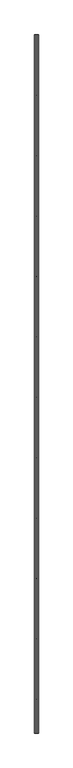
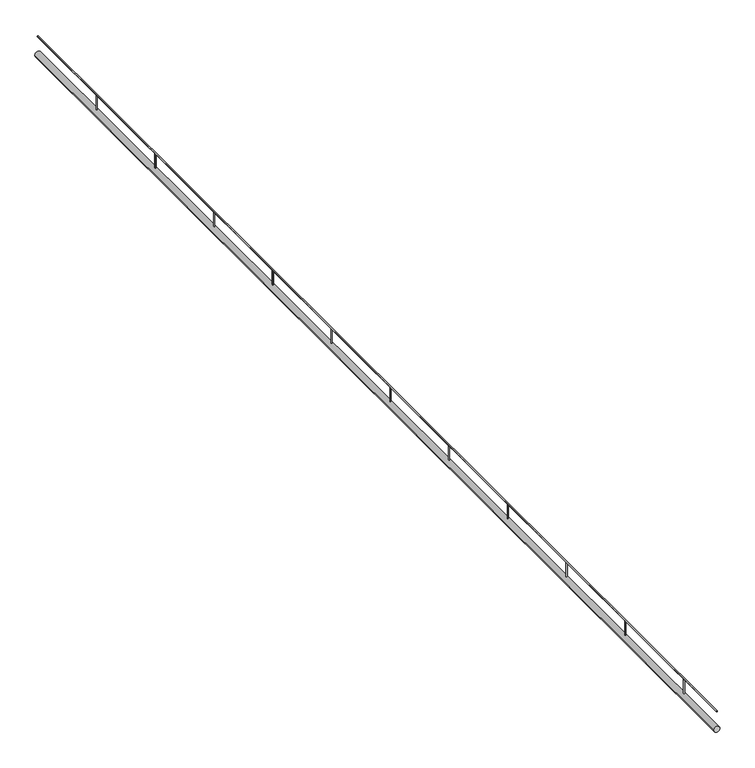
"""IFC4 building model written with IfcOpenShell, lengths in millimetres: railing geometry."""

from ifc_helpers import new_model, si_unit, point, frame, frame_2d, origin, place, context, project, spatial, circle_curve, trimmed, segment, composite_curve, outline, extrude, source, transform, mapped, element, save


def railing_cb6c126f(model_context):
    return source(origin(), model_context, "Body", "SweptSolid", [
        extrude(outline(composite_curve([segment(trimmed(circle_curve(frame_2d((2505.0, 2564.3297172)), 15.0), [point((2505.0, 2579.3297172))], [point((2505.0, 2549.3297172))], False, "CARTESIAN"), True, "CONTINUOUS"), segment(trimmed(circle_curve(frame_2d((2505.0, 2564.3297172)), 15.0), [point((2505.0, 2549.3297172))], [point((2505.0, 2579.3297172))], False, "CARTESIAN"), True, "CONTINUOUS")], self_intersect=False)), frame((0.0, 41191.8350349, 0.0), z_axis=(0.0, 1.0, 0.0), x_axis=(0.0, 0.0, 1.0)), (0.0, 0.0, 1.0), 5780.1115026),
        extrude(outline(composite_curve([segment(trimmed(circle_curve(frame_2d((2597.5, 2564.3297172)), 2.5), [point((2597.5, 2566.8297172))], [point((2597.5, 2561.8297172))], False, "CARTESIAN"), True, "CONTINUOUS"), segment(trimmed(circle_curve(frame_2d((2597.5, 2564.3297172)), 2.5), [point((2597.5, 2561.8297172))], [point((2597.5, 2566.8297172))], False, "CARTESIAN"), True, "CONTINUOUS")], self_intersect=False)), frame((0.0, 41191.8350349, 0.0), z_axis=(0.0, 1.0, 0.0), x_axis=(0.0, 0.0, 1.0)), (0.0, 0.0, 1.0), 5780.1115026),
        extrude(outline(composite_curve([segment(trimmed(circle_curve(frame_2d((2564.3297172, 41471.9465374)), 2.5), [point((2566.8297172, 41471.9465374))], [point((2561.8297172, 41471.9465374))], False, "CARTESIAN"), True, "CONTINUOUS"), segment(trimmed(circle_curve(frame_2d((2564.3297172, 41471.9465374)), 2.5), [point((2561.8297172, 41471.9465374))], [point((2566.8297172, 41471.9465374))], False, "CARTESIAN"), True, "CONTINUOUS")], self_intersect=False)), frame((0.0, 0.0, 2520.0), z_axis=(0.0, 0.0, 1.0), x_axis=(1.0, 0.0, 0.0)), (0.0, 0.0, 1.0), 75.0),
        extrude(outline(composite_curve([segment(trimmed(circle_curve(frame_2d((2564.3297172, 41971.9465374)), 2.5), [point((2566.8297172, 41971.9465374))], [point((2561.8297172, 41971.9465374))], False, "CARTESIAN"), True, "CONTINUOUS"), segment(trimmed(circle_curve(frame_2d((2564.3297172, 41971.9465374)), 2.5), [point((2561.8297172, 41971.9465374))], [point((2566.8297172, 41971.9465374))], False, "CARTESIAN"), True, "CONTINUOUS")], self_intersect=False)), frame((0.0, 0.0, 2520.0), z_axis=(0.0, 0.0, 1.0), x_axis=(1.0, 0.0, 0.0)), (0.0, 0.0, 1.0), 75.0),
        extrude(outline(composite_curve([segment(trimmed(circle_curve(frame_2d((2564.3297172, 42471.9465374)), 2.5), [point((2566.8297172, 42471.9465374))], [point((2561.8297172, 42471.9465374))], False, "CARTESIAN"), True, "CONTINUOUS"), segment(trimmed(circle_curve(frame_2d((2564.3297172, 42471.9465374)), 2.5), [point((2561.8297172, 42471.9465374))], [point((2566.8297172, 42471.9465374))], False, "CARTESIAN"), True, "CONTINUOUS")], self_intersect=False)), frame((0.0, 0.0, 2520.0), z_axis=(0.0, 0.0, 1.0), x_axis=(1.0, 0.0, 0.0)), (0.0, 0.0, 1.0), 75.0),
        extrude(outline(composite_curve([segment(trimmed(circle_curve(frame_2d((2564.3297172, 42971.9465374)), 2.5), [point((2566.8297172, 42971.9465374))], [point((2561.8297172, 42971.9465374))], False, "CARTESIAN"), True, "CONTINUOUS"), segment(trimmed(circle_curve(frame_2d((2564.3297172, 42971.9465374)), 2.5), [point((2561.8297172, 42971.9465374))], [point((2566.8297172, 42971.9465374))], False, "CARTESIAN"), True, "CONTINUOUS")], self_intersect=False)), frame((0.0, 0.0, 2520.0), z_axis=(0.0, 0.0, 1.0), x_axis=(1.0, 0.0, 0.0)), (0.0, 0.0, 1.0), 75.0),
        extrude(outline(composite_curve([segment(trimmed(circle_curve(frame_2d((2564.3297172, 43471.9465374)), 2.5), [point((2566.8297172, 43471.9465374))], [point((2561.8297172, 43471.9465374))], False, "CARTESIAN"), True, "CONTINUOUS"), segment(trimmed(circle_curve(frame_2d((2564.3297172, 43471.9465374)), 2.5), [point((2561.8297172, 43471.9465374))], [point((2566.8297172, 43471.9465374))], False, "CARTESIAN"), True, "CONTINUOUS")], self_intersect=False)), frame((0.0, 0.0, 2520.0), z_axis=(0.0, 0.0, 1.0), x_axis=(1.0, 0.0, 0.0)), (0.0, 0.0, 1.0), 75.0),
        extrude(outline(composite_curve([segment(trimmed(circle_curve(frame_2d((2564.3297172, 43971.9465374)), 2.5), [point((2566.8297172, 43971.9465374))], [point((2561.8297172, 43971.9465374))], False, "CARTESIAN"), True, "CONTINUOUS"), segment(trimmed(circle_curve(frame_2d((2564.3297172, 43971.9465374)), 2.5), [point((2561.8297172, 43971.9465374))], [point((2566.8297172, 43971.9465374))], False, "CARTESIAN"), True, "CONTINUOUS")], self_intersect=False)), frame((0.0, 0.0, 2520.0), z_axis=(0.0, 0.0, 1.0), x_axis=(1.0, 0.0, 0.0)), (0.0, 0.0, 1.0), 75.0),
        extrude(outline(composite_curve([segment(trimmed(circle_curve(frame_2d((2564.3297172, 44471.9465374)), 2.5), [point((2566.8297172, 44471.9465374))], [point((2561.8297172, 44471.9465374))], False, "CARTESIAN"), True, "CONTINUOUS"), segment(trimmed(circle_curve(frame_2d((2564.3297172, 44471.9465374)), 2.5), [point((2561.8297172, 44471.9465374))], [point((2566.8297172, 44471.9465374))], False, "CARTESIAN"), True, "CONTINUOUS")], self_intersect=False)), frame((0.0, 0.0, 2520.0), z_axis=(0.0, 0.0, 1.0), x_axis=(1.0, 0.0, 0.0)), (0.0, 0.0, 1.0), 75.0),
        extrude(outline(composite_curve([segment(trimmed(circle_curve(frame_2d((2564.3297172, 44971.9465374)), 2.5), [point((2566.8297172, 44971.9465374))], [point((2561.8297172, 44971.9465374))], False, "CARTESIAN"), True, "CONTINUOUS"), segment(trimmed(circle_curve(frame_2d((2564.3297172, 44971.9465374)), 2.5), [point((2561.8297172, 44971.9465374))], [point((2566.8297172, 44971.9465374))], False, "CARTESIAN"), True, "CONTINUOUS")], self_intersect=False)), frame((0.0, 0.0, 2520.0), z_axis=(0.0, 0.0, 1.0), x_axis=(1.0, 0.0, 0.0)), (0.0, 0.0, 1.0), 75.0),
        extrude(outline(composite_curve([segment(trimmed(circle_curve(frame_2d((2564.3297172, 45471.9465374)), 2.5), [point((2566.8297172, 45471.9465374))], [point((2561.8297172, 45471.9465374))], False, "CARTESIAN"), True, "CONTINUOUS"), segment(trimmed(circle_curve(frame_2d((2564.3297172, 45471.9465374)), 2.5), [point((2561.8297172, 45471.9465374))], [point((2566.8297172, 45471.9465374))], False, "CARTESIAN"), True, "CONTINUOUS")], self_intersect=False)), frame((0.0, 0.0, 2520.0), z_axis=(0.0, 0.0, 1.0), x_axis=(1.0, 0.0, 0.0)), (0.0, 0.0, 1.0), 75.0),
        extrude(outline(composite_curve([segment(trimmed(circle_curve(frame_2d((2564.3297172, 45971.9465374)), 2.5), [point((2566.8297172, 45971.9465374))], [point((2561.8297172, 45971.9465374))], False, "CARTESIAN"), True, "CONTINUOUS"), segment(trimmed(circle_curve(frame_2d((2564.3297172, 45971.9465374)), 2.5), [point((2561.8297172, 45971.9465374))], [point((2566.8297172, 45971.9465374))], False, "CARTESIAN"), True, "CONTINUOUS")], self_intersect=False)), frame((0.0, 0.0, 2520.0), z_axis=(0.0, 0.0, 1.0), x_axis=(1.0, 0.0, 0.0)), (0.0, 0.0, 1.0), 75.0),
        extrude(outline(composite_curve([segment(trimmed(circle_curve(frame_2d((2564.3297172, 46471.9465374)), 2.5), [point((2566.8297172, 46471.9465374))], [point((2561.8297172, 46471.9465374))], False, "CARTESIAN"), True, "CONTINUOUS"), segment(trimmed(circle_curve(frame_2d((2564.3297172, 46471.9465374)), 2.5), [point((2561.8297172, 46471.9465374))], [point((2566.8297172, 46471.9465374))], False, "CARTESIAN"), True, "CONTINUOUS")], self_intersect=False)), frame((0.0, 0.0, 2520.0), z_axis=(0.0, 0.0, 1.0), x_axis=(1.0, 0.0, 0.0)), (0.0, 0.0, 1.0), 75.0),
    ])


if __name__ == "__main__":
    model = new_model("IFC4")
    model_context = context("Model", 3, world=origin())
    ifc_project = project(units=[si_unit("LENGTHUNIT", "METRE", prefix="MILLI")], contexts=[model_context])
    site = spatial("IfcSite", under=ifc_project)
    building = spatial("IfcBuilding", under=site)
    placement = place(None, origin())
    railing_shape = railing_cb6c126f(model_context)
    element("IfcRailing", 1, at=placement, inside=building, context=model_context, shape_type="MappedRepresentation", body=[
        mapped(railing_shape, transform((0.0, 0.0, 0.0), x_axis=(1.0, 0.0, 0.0), y_axis=(0.0, 1.0, 0.0), z_axis=(0.0, 0.0, 1.0))),
    ])
    save(model, "model.ifc")
